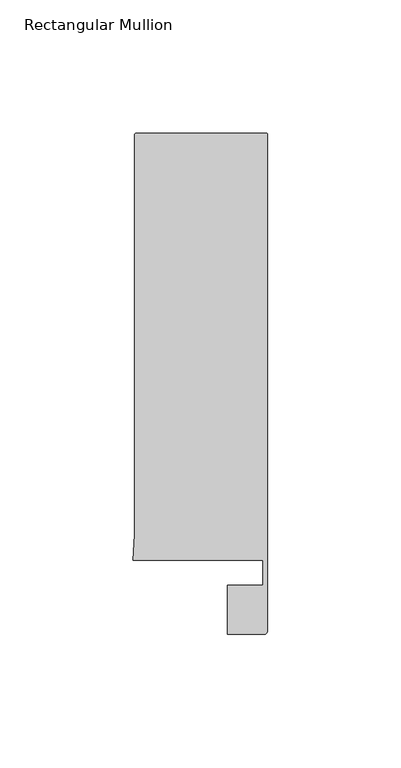
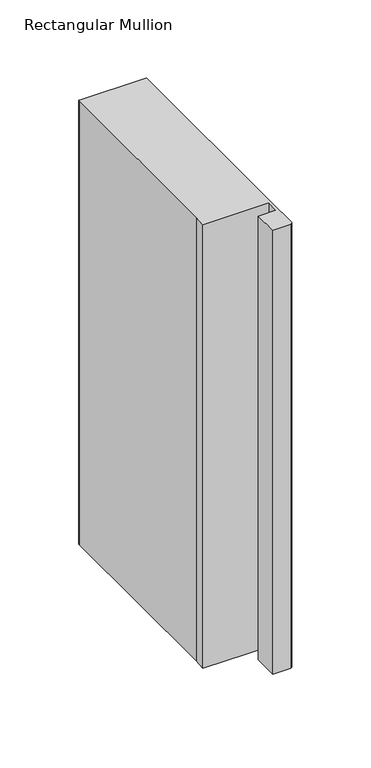
"""IFC4 building model written with IfcOpenShell, lengths in millimetres: member geometry, Rectangular Mullion."""

from ifc_helpers import new_model, si_unit, point, frame, frame_2d, origin, place, context, project, spatial, polyline, circle_curve, trimmed, segment, composite_curve, outline, extrude, source, transform, mapped, element, save


def rectangular_mullion_7893560b(model_context):
    return source(origin(), model_context, "Body", "SweptSolid", [
        extrude(outline(composite_curve([segment(polyline([(-49.4643516, 173.9954336), (-0.4995298, 173.9954336)]), True, "CONTINUOUS"), segment(trimmed(circle_curve(frame_2d((-0.4995298, 173.4959038)), 0.4995298), [point((-0.4995298, 173.9954336))], [point((0.0, 173.4959038))], False, "CARTESIAN"), True, "CONTINUOUS"), segment(polyline([(0.0, 173.4959038), (0.0, 14.0), (0.0, -12.3070627)]), True, "CONTINUOUS"), segment(trimmed(circle_curve(frame_2d((-1.5, -12.3070627)), 1.5), [point((0.0, -12.3070627))], [point((-1.5, -13.8070627))], False, "CARTESIAN"), True, "CONTINUOUS"), segment(polyline([(-1.5, -13.8070627), (-15.0, -13.8070627), (-15.0, 4.6022209), (-1.8, 4.6022209), (-1.8, 14.0), (-50.4480466, 14.0), (-50.0, 23.4857005), (-50.0, 173.4597852)]), True, "CONTINUOUS"), segment(trimmed(circle_curve(frame_2d((-49.4643516, 173.4597852)), 0.5356484), [point((-50.0, 173.4597852))], [point((-49.4643516, 173.9954336))], False, "CARTESIAN"), True, "CONTINUOUS")], self_intersect=False)), frame((0.0, 0.0, -347.0919278), z_axis=(0.0, 0.0, 1.0), x_axis=(1.0, 0.0, 0.0)), (0.0, 0.0, 1.0), 347.0919278),
    ])


if __name__ == "__main__":
    model = new_model("IFC4")
    model_context = context("Model", 3, world=origin())
    ifc_project = project(units=[si_unit("LENGTHUNIT", "METRE", prefix="MILLI")], contexts=[model_context])
    site = spatial("IfcSite", under=ifc_project)
    building = spatial("IfcBuilding", under=site)
    placement = place(None, origin())
    rectangular_mullion_shape = rectangular_mullion_7893560b(model_context)
    element("IfcMember", 1, ObjectType="Rectangular Mullion", at=placement, inside=building, context=model_context, shape_type="MappedRepresentation", body=[
        mapped(rectangular_mullion_shape, transform((0.0, 0.0, 0.0), x_axis=(1.0, 0.0, 0.0), y_axis=(0.0, 1.0, 0.0), z_axis=(0.0, 0.0, 1.0))),
    ])
    save(model, "model.ifc")
